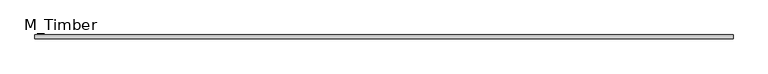
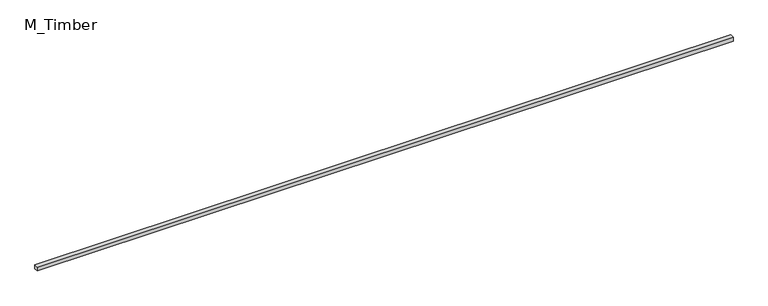
"""IFC4 building model written with IfcOpenShell, lengths in millimetres: beam geometry, M_Timber."""

from ifc_helpers import new_model, si_unit, frame, origin, place, context, project, spatial, polyline, outline, extrude, source, transform, mapped, element, save


def m_timber_45d8784e(model_context):
    return source(origin(), model_context, "Body", "SweptSolid", [
        extrude(outline(polyline([(5180.1346774, 30.0), (5180.1346774, -30.0), (-5180.1346774, -30.0), (-5180.1346774, 30.0), (5180.1346774, 30.0)])), frame((0.0, 0.0, -30.0), z_axis=(0.0, 0.0, 1.0), x_axis=(1.0, 0.0, 0.0)), (0.0, 0.0, 1.0), 60.0),
    ])


if __name__ == "__main__":
    model = new_model("IFC4")
    model_context = context("Model", 3, world=origin())
    ifc_project = project(units=[si_unit("LENGTHUNIT", "METRE", prefix="MILLI")], contexts=[model_context])
    site = spatial("IfcSite", under=ifc_project)
    building = spatial("IfcBuilding", under=site)
    placement = place(None, origin())
    m_timber_shape = m_timber_45d8784e(model_context)
    element("IfcBeam", 1, ObjectType="M_Timber", at=placement, inside=building, context=model_context, shape_type="MappedRepresentation", body=[
        mapped(m_timber_shape, transform((0.0, 0.0, 0.0), x_axis=(1.0, 0.0, 0.0), y_axis=(0.0, 1.0, 0.0), z_axis=(0.0, 0.0, 1.0))),
    ])
    save(model, "model.ifc")
